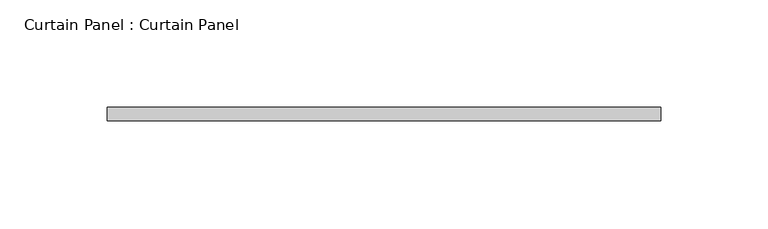
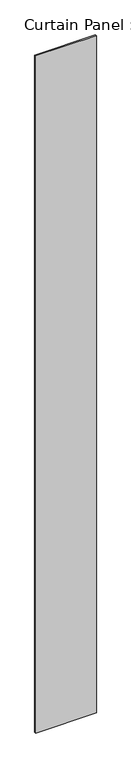
"""IFC4 building model written with IfcOpenShell, lengths in millimetres: plate geometry, Curtain Panel : Curtain Panel."""

import ifcopenshell
import ifcopenshell.guid

model = None  # the IFC model being written
_history = None  # IfcOwnerHistory: only IFC2X3 demands one
_inside = {}  # id of a spatial element -> (the spatial element, [elements in it])
_under = {}  # id of a project, library or spatial element -> (it, [spatial elements below it])
_declared = {}  # id of a project -> (the project, [libraries it declares])
_typed = {}  # id of a type object -> (the type object, [elements of that type])
_made_of = {}  # id of a material, layer set ... -> (it, [elements and type objects made of it])


def new_model(schema):
    """Start an empty IFC model of exactly this schema.

    Asked for "IFC4X3", IfcOpenShell would pick the latest addendum, in which some entities
    have other attributes; the version numbers below select the first issue.
    IFC2X3 requires an IfcOwnerHistory on every rooted entity: one is made here for all.
    """
    global model, _history
    if schema == "IFC4X3":
        model = ifcopenshell.file(schema_version=(4, 3, 0, 0))
    else:
        model = ifcopenshell.file(schema=schema)
    _inside.clear()
    _under.clear()
    _declared.clear()
    _typed.clear()
    _made_of.clear()
    _history = None
    if model.schema == "IFC2X3":
        org = make("IfcOrganization", Name="unknown")
        user = make(
            "IfcPersonAndOrganization",
            ThePerson=make("IfcPerson", FamilyName="unknown"),
            TheOrganization=org,
        )
        app = make(
            "IfcApplication",
            ApplicationDeveloper=org,
            Version="unknown",
            ApplicationFullName="unknown",
            ApplicationIdentifier="unknown",
        )
        _history = make(
            "IfcOwnerHistory",
            OwningUser=user,
            OwningApplication=app,
            ChangeAction="ADDED",
            CreationDate=0,
        )
    return model


def make(cls, **values):
    """One entity of the class cls with the attributes given. An attribute that is None is left unset."""
    return model.create_entity(
        cls, **{name: value for name, value in values.items() if value is not None}
    )


def rooted(cls, **values):
    """An entity with a GlobalId (a new one), such as an element, a storey or a relation."""
    return make(cls, GlobalId=ifcopenshell.guid.new(), OwnerHistory=_history, **values)


def si_unit(unit_type, name, prefix=None):
    """IfcSIUnit, for example si_unit("LENGTHUNIT", "METRE", prefix="MILLI")."""
    return make("IfcSIUnit", UnitType=unit_type, Prefix=prefix, Name=name)


def assignment(units):
    """IfcUnitAssignment: the units of a project."""
    return None if units is None else make("IfcUnitAssignment", Units=units)


def point(xyz):
    """IfcCartesianPoint."""
    return None if xyz is None else make("IfcCartesianPoint", Coordinates=xyz)


def direction(xyz):
    """IfcDirection."""
    return None if xyz is None else make("IfcDirection", DirectionRatios=xyz)


def frame(location, z_axis=None, x_axis=None):
    """IfcAxis2Placement3D, a coordinate frame: its origin and axes. An axis left out is left unset."""
    return make(
        "IfcAxis2Placement3D",
        Location=point(location),
        Axis=direction(z_axis),
        RefDirection=direction(x_axis),
    )


def origin():
    """The frame at (0, 0, 0) with its axes left unset."""
    return frame((0.0, 0.0, 0.0))


def origin_with_axes():
    """The frame at (0, 0, 0) with the z axis (0, 0, 1) and the x axis (1, 0, 0) written out."""
    return frame((0.0, 0.0, 0.0), z_axis=(0.0, 0.0, 1.0), x_axis=(1.0, 0.0, 0.0))


def place(relative_to, where):
    """IfcLocalPlacement: puts the frame where relative to a parent placement (None: the world)."""
    return make(
        "IfcLocalPlacement", PlacementRelTo=relative_to, RelativePlacement=where
    )


def context(
    kind, dimensions, precision=None, world=None, true_north=None, identifier=None
):
    """IfcGeometricRepresentationContext, for example the 3D "Model" context."""
    return make(
        "IfcGeometricRepresentationContext",
        ContextIdentifier=identifier,
        ContextType=kind,
        CoordinateSpaceDimension=dimensions,
        Precision=precision,
        WorldCoordinateSystem=world,
        TrueNorth=true_north,
    )


def project(units=None, contexts=None):
    """IfcProject with its units and contexts."""
    return rooted(
        "IfcProject",
        Name="project",
        RepresentationContexts=contexts,
        UnitsInContext=assignment(units),
    )


def spatial(cls, under=None, at=None, **own):
    """A site, building, storey or space (cls), placed at a placement, below another one or the project."""
    s = rooted(cls, ObjectPlacement=at, **own)
    if under is not None:
        _under.setdefault(under.id(), (under, []))[1].append(s)
    return s


def polyline(points):
    """IfcPolyline through the points."""
    return make("IfcPolyline", Points=[point(p) for p in points])


def outline(outer, holes=None, kind="AREA"):
    """IfcArbitraryClosedProfileDef: a profile drawn as a closed curve; with holes, ...WithVoids."""
    if holes is None:
        return make("IfcArbitraryClosedProfileDef", ProfileType=kind, OuterCurve=outer)
    return make(
        "IfcArbitraryProfileDefWithVoids",
        ProfileType=kind,
        OuterCurve=outer,
        InnerCurves=holes,
    )


def extrude(swept, where, along, depth):
    """IfcExtrudedAreaSolid: the profile swept, set in the frame where, extruded along a direction by depth."""
    return make(
        "IfcExtrudedAreaSolid",
        SweptArea=swept,
        Position=where,
        ExtrudedDirection=direction(along),
        Depth=depth,
    )


def shape(context_of_items, identifier, shape_type, items):
    """IfcShapeRepresentation: the items that make up one representation, for example the "Body"."""
    return make(
        "IfcShapeRepresentation",
        ContextOfItems=context_of_items,
        RepresentationIdentifier=identifier,
        RepresentationType=shape_type,
        Items=items,
    )


def source(mapping_origin, context_of_items, identifier, shape_type, items):
    """IfcRepresentationMap: a shape defined once, which mapped items show again and again."""
    return make(
        "IfcRepresentationMap",
        MappingOrigin=mapping_origin,
        MappedRepresentation=shape(context_of_items, identifier, shape_type, items),
    )


def transform(
    local_origin,
    x_axis=None,
    y_axis=None,
    z_axis=None,
    scale=None,
    scale2=None,
    scale3=None,
    uniform=True,
):
    """IfcCartesianTransformationOperator3D, or its non-uniform kind. x_axis, y_axis, z_axis: its Axis1, 2, 3."""
    if uniform:
        return make(
            "IfcCartesianTransformationOperator3D",
            Axis1=direction(x_axis),
            Axis2=direction(y_axis),
            LocalOrigin=point(local_origin),
            Scale=scale,
            Axis3=direction(z_axis),
        )
    return make(
        "IfcCartesianTransformationOperator3DnonUniform",
        Axis1=direction(x_axis),
        Axis2=direction(y_axis),
        LocalOrigin=point(local_origin),
        Scale=scale,
        Axis3=direction(z_axis),
        Scale2=scale2,
        Scale3=scale3,
    )


def mapped(mapping_source, mapping_target):
    """IfcMappedItem: shows the shape of a source again, moved by a transform."""
    return make(
        "IfcMappedItem", MappingSource=mapping_source, MappingTarget=mapping_target
    )


def made_of(thing, what):
    """Note that an element or type object is made of a material, layer set ...; save() writes the relation."""
    if what is not None:
        _made_of.setdefault(what.id(), (what, []))[1].append(thing)
    return thing


def element(
    cls,
    number,
    at=None,
    inside=None,
    cuts=None,
    type_object=None,
    material=None,
    context=None,
    identifier="Body",
    shape_type=None,
    held_by="IfcProductDefinitionShape",
    body=None,
    shapes=None,
    **own,
):
    """One element of the class cls, such as IfcWall. Its Tag is "e" and its number.

    at: its placement. inside: the storey or other place that contains it. cuts: it is an
    opening in that element (IfcRelVoidsElement). A single representation is given by context,
    identifier, shape_type and body (its items); several are given by shapes. held_by: the class
    of the entity that holds the representations. save() writes the other relations.
    """
    e = rooted(cls, Tag="e%d" % number, ObjectPlacement=at, **own)
    if body is not None:
        shapes = [shape(context, identifier, shape_type, body)]
    if shapes is not None:
        e.Representation = make(held_by, Representations=shapes)
    if inside is not None:
        _inside.setdefault(inside.id(), (inside, []))[1].append(e)
    if cuts is not None:
        rooted(
            "IfcRelVoidsElement", RelatingBuildingElement=cuts, RelatedOpeningElement=e
        )
    if type_object is not None:
        _typed.setdefault(type_object.id(), (type_object, []))[1].append(e)
    return made_of(e, material)


def aggregate(whole, parts):
    """IfcRelAggregates: a whole, such as a stair, and the parts it consists of."""
    return rooted("IfcRelAggregates", RelatingObject=whole, RelatedObjects=parts)


def save(model, path):
    """Write the relations noted so far, then the file.

    IfcRelAggregates (storeys below a building ...), IfcRelContainedInSpatialStructure (elements
    in a storey), IfcRelDefinesByType, IfcRelAssociatesMaterial and IfcRelDeclares: one each for
    every whole, place, type object, material and project.
    """
    for whole, parts in _under.values():
        aggregate(whole, parts)
    for where, things in _inside.values():
        rooted(
            "IfcRelContainedInSpatialStructure",
            RelatedElements=things,
            RelatingStructure=where,
        )
    for kind, things in _typed.values():
        rooted("IfcRelDefinesByType", RelatedObjects=things, RelatingType=kind)
    for what, things in _made_of.values():
        rooted("IfcRelAssociatesMaterial", RelatedObjects=things, RelatingMaterial=what)
    for by, libraries in _declared.values():
        rooted("IfcRelDeclares", RelatingContext=by, RelatedDefinitions=libraries)
    model.write(path)


def curtain_panel_curtain_panel_4a1ecdc8(model_context):
    return source(origin(), model_context, "Body", "SweptSolid", [
        extrude(outline(polyline([(342044.5159443, 1637.5914638), (342303.2784443, 1637.5914638), (342303.2784443, 1631.2414638), (342044.5159443, 1631.2414638), (342044.5159443, 1637.5914638)])), origin_with_axes(), (0.0, 0.0, 1.0), 3048.0),
    ])


if __name__ == "__main__":
    model = new_model("IFC4")
    model_context = context("Model", 3, world=origin())
    ifc_project = project(units=[si_unit("LENGTHUNIT", "METRE", prefix="MILLI")], contexts=[model_context])
    site = spatial("IfcSite", under=ifc_project)
    building = spatial("IfcBuilding", under=site)
    placement = place(None, origin())
    curtain_panel_curtain_panel_shape = curtain_panel_curtain_panel_4a1ecdc8(model_context)
    element("IfcPlate", 1, ObjectType="Curtain Panel : Curtain Panel", at=placement, inside=building, context=model_context, shape_type="MappedRepresentation", body=[
        mapped(curtain_panel_curtain_panel_shape, transform((0.0, 0.0, 0.0), x_axis=(1.0, 0.0, 0.0), y_axis=(0.0, 1.0, 0.0), z_axis=(0.0, 0.0, 1.0))),
    ])
    save(model, "model.ifc")
